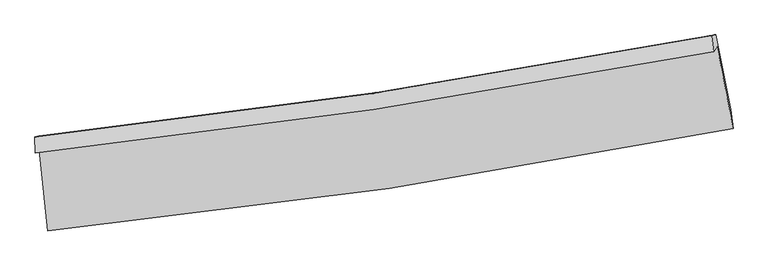
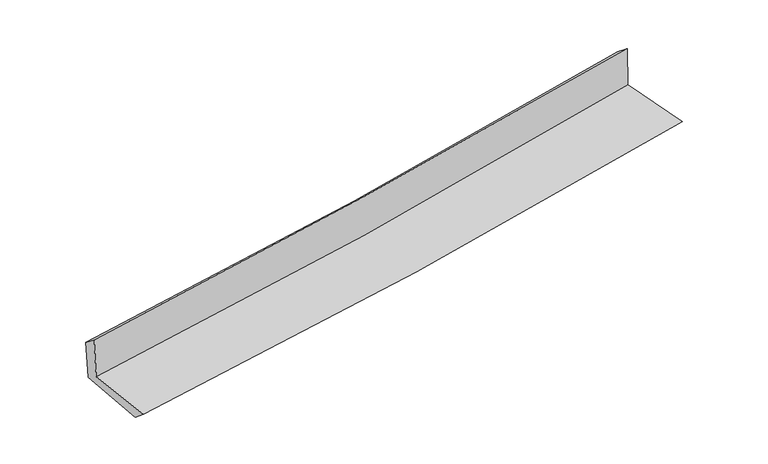
"""IFC4 building model written with IfcOpenShell, lengths in millimetres: proxy geometry."""

from ifc_helpers import new_model, si_unit, frame, origin, place, context, project, spatial, source, transform, mapped, element, save
from ifc_brep_helpers import plane_surface, spline_curve, spline_surface, advanced_brep


def generic_models_ab91a754(model_context):
    return source(origin(), model_context, "Body", "AdvancedBrep", [
        advanced_brep(
        [(-2819.1094679, -1884.8622507, 1635.1232719), (-2750.77196, -2552.5094075, 1632.2258182), (2906.6514642, -1707.8078263, 2115.025832), (2774.6166714, -1031.8972054, 2123.1344278), (-2851.9387023, -1909.8081365, 2036.7353462), (2745.9679559, -1073.5050204, 2523.9079173), (-2856.2665224, -1776.0947355, 1931.0626828), (2729.6207339, -941.1545791, 2421.768311), (-2824.4187534, -1767.6560197, 1559.7052607), (2762.4725182, -932.5126481, 2045.0031727), (-2754.4509479, -2423.5447953, 1524.6845581), (2885.4967253, -1552.0869091, 2015.8097479)],
        [
            (0, 1),
            (1, 2, spline_curve(3, [(-2750.77196, -2552.5094075, 1632.2258182), (-1808.131162877, -2457.953786229, 1717.527824018), (-868.367446154, -2340.881682587, 1800.171003399), (1017.515215733, -2059.900307642, 1961.173516721), (1963.559307405, -1895.405217839, 2039.463675721), (2906.6514642, -1707.8078263, 2115.025832)], [4, 2, 4], [0.0, 9.309545963788873, 18.739419109016932])),
            (2, 3),
            (3, 0, spline_curve(3, [(2774.6166714, -1031.8972054, 2123.1344278), (1842.858573036, -1217.555296063, 2043.534718256), (907.821615947, -1381.784455542, 1962.798888765), (-956.83690791, -1665.562751254, 1800.09969407), (-1886.375330398, -1785.655273361, 1718.165138111), (-2819.1094679, -1884.8622507, 1635.1232719)], [4, 2, 4], [0.0, 9.42987314522806, 18.739419109016932])),
            (4, 0),
            (3, 5),
            (5, 4, spline_curve(3, [(2745.9679559, -1073.5050204, 2523.9079173), (1812.018259054, -1252.460921197, 2451.595513129), (875.539673919, -1411.954121036, 2374.550722697), (-990.493338988, -1690.228298705, 2212.039863821), (-1919.983639791, -1809.502804618, 2126.693796959), (-2851.9387023, -1909.8081365, 2036.7353462)], [4, 2, 4], [0.0, 9.380317574733485, 18.640940307618187])),
            (6, 4),
            (5, 7),
            (7, 6, spline_curve(3, [(2729.6207339, -941.1545791, 2421.768311), (1798.532764651, -1119.30394101, 2339.834318187), (864.490376673, -1278.281417565, 2257.711409528), (-997.546959077, -1556.108649845, 2094.138076613), (-1925.466989812, -1675.444559026, 2012.692442429), (-2856.2665224, -1776.0947355, 1931.0626828)], [4, 2, 4], [0.0, 9.371642256389931, 18.623700369833205])),
            (8, 6),
            (7, 9),
            (9, 8, spline_curve(3, [(2762.4725182, -932.5126481, 2045.0031727), (1831.080731353, -1110.735275389, 1965.476058266), (896.802664241, -1269.766302206, 1885.00531002), (-965.567615389, -1547.660773061, 1723.215410961), (-1893.586638807, -1667.010870383, 1641.920188611), (-2824.4187534, -1767.6560197, 1559.7052607)], [4, 2, 4], [0.0, 9.36232048491518, 18.6051757746649])),
            (10, 8),
            (9, 11),
            (11, 10, spline_curve(3, [(2885.4967253, -1552.0869091, 2015.8097479), (1946.712477895, -1747.33800623, 1934.994311058), (1004.283585226, -1917.89379463, 1853.39167536), (-875.791392014, -2207.753542716, 1689.663317011), (-1813.345057091, -2327.683716449, 1607.557556496), (-2754.4509479, -2423.5447953, 1524.6845581)], [4, 2, 4], [0.0, 9.411508370652585, 18.702923898284794])),
            (1, 10),
            (11, 2),
        ],
        [
            spline_surface(3, 3, [[(-2819.1094679, -1884.8622507, 1635.1232719), (-1886.375330376, -1785.655273372, 1718.165138256), (-956.836907863, -1665.56275113, 1800.099694128), (907.821615899, -1381.784455668, 1962.798888706), (1842.858573161, -1217.555296115, 2043.534718116), (2774.6166714, -1031.8972054, 2123.1344278)], [(-2796.330298601, -2107.411302966, 1634.157454), (-1860.293941168, -2009.754777689, 1717.952700225), (-927.347087323, -1890.669061593, 1800.123463824), (944.386149196, -1607.823073028, 1962.257098063), (1883.092151221, -1443.505270005, 2042.177703965), (2818.628268983, -1257.200745696, 2120.431562554)], [(-2773.551129299, -2329.960355234, 1633.1916361), (-1834.212551955, -2233.854282007, 1717.740262195), (-897.857266766, -2115.775372038, 1800.147233584), (980.950682509, -1833.861690369, 1961.715307484), (1923.325729332, -1669.455243906, 2040.820689751), (2862.639866617, -1482.504286004, 2117.728697246)], [(-2750.77196, -2552.5094075, 1632.2258182), (-1808.131162746, -2457.953786324, 1717.527824165), (-868.367446225, -2340.881682502, 1800.17100328), (1017.515215806, -2059.900307729, 1961.173516841), (1963.559307391, -1895.405217796, 2039.463675599), (2906.6514642, -1707.8078263, 2115.025832)]], [4, 4], [4, 2, 4], [0.0, 2.243996785252073], [0.0, 9.309545963788873, 18.739419109016932]),
            spline_surface(3, 3, [[(-2851.9387023, -1909.8081365, 2036.7353462), (-1919.983639672, -1809.502804565, 2126.693797111), (-990.493338844, -1690.228298842, 2212.039863752), (875.539673773, -1411.954120897, 2374.550722766), (1812.018258994, -1252.460921241, 2451.59551312), (2745.9679559, -1073.5050204, 2523.9079173)], [(-2840.995624147, -1901.492841227, 1902.864654762), (-1908.780869887, -1801.553627495, 1990.517577487), (-979.274528506, -1682.006449609, 2074.72647389), (886.300321159, -1401.897565825, 2237.300111426), (1822.298363723, -1240.825712868, 2315.575248104), (2755.51752774, -1059.635748736, 2390.316754118)], [(-2830.052546053, -1893.177545973, 1768.993963338), (-1897.578100161, -1793.604450442, 1854.341357879), (-968.055718201, -1673.784600363, 1937.41308399), (897.060968513, -1391.841010741, 2100.049500047), (1832.578468432, -1229.190504488, 2179.554983132), (2765.06709956, -1045.766477064, 2256.725590982)], [(-2819.1094679, -1884.8622507, 1635.1232719), (-1886.375330376, -1785.655273372, 1718.165138256), (-956.836907863, -1665.56275113, 1800.099694128), (907.821615899, -1381.784455668, 1962.798888706), (1842.858573161, -1217.555296115, 2043.534718116), (2774.6166714, -1031.8972054, 2123.1344278)]], [4, 4], [4, 2, 4], [0.0, 1.358504757522136], [0.0, 9.260622732884702, 18.640940307618187]),
            spline_surface(3, 3, [[(-2856.2665224, -1776.0947355, 1931.0626828), (-1925.466989814, -1675.444559019, 2012.692442425), (-997.54695907, -1556.108649913, 2094.138076464), (864.490376666, -1278.281417496, 2257.711409679), (1798.532764699, -1119.303941097, 2339.834318326), (2729.6207339, -941.1545791, 2421.768311)], [(-2854.823915709, -1820.665869183, 1966.286903937), (-1923.639206443, -1720.130640884, 2050.692893991), (-995.19575233, -1600.815199565, 2133.438672246), (868.1734757, -1322.838985305, 2296.657847394), (1803.027929468, -1163.689601149, 2377.088049923), (2735.069807904, -985.27139287, 2455.814846432)], [(-2853.381308991, -1865.237002817, 2001.511125063), (-1921.811423043, -1764.816722699, 2088.693345545), (-992.844545585, -1645.521749191, 2172.73926797), (871.856574739, -1367.396553088, 2335.604285051), (1807.523094225, -1208.075261189, 2414.341781523), (2740.518881896, -1029.38820663, 2489.861381868)], [(-2851.9387023, -1909.8081365, 2036.7353462), (-1919.983639672, -1809.502804565, 2126.693797111), (-990.493338844, -1690.228298842, 2212.039863752), (875.539673773, -1411.954120897, 2374.550722766), (1812.018258994, -1252.460921241, 2451.59551312), (2745.9679559, -1073.5050204, 2523.9079173)]], [4, 4], [4, 2, 4], [0.0, 0.584909599046991], [0.0, 9.252058113443274, 18.623700369833205]),
            spline_surface(3, 3, [[(-2824.4187534, -1767.6560197, 1559.7052607), (-1893.586638762, -1667.010870286, 1641.920188509), (-965.567615418, -1547.660773101, 1723.215411023), (896.802664271, -1269.766302165, 1885.005309958), (1831.08073145, -1110.735275541, 1965.476058145), (2762.4725182, -932.5126481, 2045.0031727)], [(-2835.034676404, -1770.46892494, 1683.49106804), (-1904.21342245, -1669.822099837, 1765.510939788), (-976.227396622, -1550.476732038, 1846.856299497), (886.031901749, -1272.604673942, 2009.240676526), (1820.231409186, -1113.591497413, 2090.262144886), (2751.52192342, -935.393291787, 2170.591552147)], [(-2845.650599396, -1773.28183026, 1807.27687546), (-1914.840206126, -1672.633329468, 1889.101691147), (-986.887177866, -1553.292690976, 1970.49718799), (875.261139188, -1275.44304572, 2133.476043111), (1809.382086963, -1116.447719225, 2215.048231585), (2740.57132868, -938.273935413, 2296.179931553)], [(-2856.2665224, -1776.0947355, 1931.0626828), (-1925.466989814, -1675.444559019, 2012.692442425), (-997.54695907, -1556.108649913, 2094.138076464), (864.490376666, -1278.281417496, 2257.711409679), (1798.532764699, -1119.303941097, 2339.834318326), (2729.6207339, -941.1545791, 2421.768311)]], [4, 4], [4, 2, 4], [0.0, 1.224768574480383], [0.0, 9.24285528974972, 18.6051757746649]),
            spline_surface(3, 3, [[(-2754.4509479, -2423.5447953, 1524.6845581), (-1813.345056998, -2327.683716547, 1607.557556406), (-875.791391992, -2207.753542809, 1689.663317149), (1004.283585203, -1917.893794535, 1853.391675219), (1946.712477934, -1747.338006206, 1934.994311095), (2885.4967253, -1552.0869091, 2015.8097479)], [(-2777.773549738, -2204.915203449, 1536.358125631), (-1840.092250923, -2107.459434475, 1619.011767104), (-905.716799824, -1987.722619579, 1700.84734842), (968.456611536, -1701.851297085, 1863.929553445), (1908.168562442, -1535.137095971, 1945.154893435), (2844.488656269, -1345.56215542, 2025.54088949)], [(-2801.096151562, -1986.285611551, 1548.031693169), (-1866.839444836, -1887.235152358, 1630.46597781), (-935.642207585, -1767.691696331, 1712.031379752), (932.629637938, -1485.808799616, 1874.467431733), (1869.624646943, -1322.936185775, 1955.315475805), (2803.480587231, -1139.03740178, 2035.27203111)], [(-2824.4187534, -1767.6560197, 1559.7052607), (-1893.586638762, -1667.010870286, 1641.920188509), (-965.567615418, -1547.660773101, 1723.215411023), (896.802664271, -1269.766302165, 1885.005309958), (1831.08073145, -1110.735275541, 1965.476058145), (2762.4725182, -932.5126481, 2045.0031727)]], [4, 4], [4, 2, 4], [0.0, 2.172722504683859], [0.0, 9.291415527632209, 18.702923898284794]),
            spline_surface(3, 3, [[(-2750.77196, -2552.5094075, 1632.2258182), (-1808.131162746, -2457.953786324, 1717.527824165), (-868.367446225, -2340.881682502, 1800.17100328), (1017.515215806, -2059.900307729, 1961.173516841), (1963.559307391, -1895.405217796, 2039.463675599), (2906.6514642, -1707.8078263, 2115.025832)], [(-2751.998289301, -2509.521203435, 1596.378731531), (-1809.869127497, -2414.530429733, 1680.871068276), (-870.842094807, -2296.505635913, 1763.33510792), (1013.104672278, -2012.564803306, 1925.246236317), (1957.94369759, -1846.04948059, 2004.640554089), (2899.599884584, -1655.90085389, 2081.953803958)], [(-2753.224618599, -2466.532999365, 1560.531644769), (-1811.607092246, -2371.107073138, 1644.214312295), (-873.31674341, -2252.129589398, 1726.49921251), (1008.694128731, -1965.229298958, 1889.318955743), (1952.328087736, -1796.693743412, 1969.817432605), (2892.548304916, -1603.99388151, 2048.881775942)], [(-2754.4509479, -2423.5447953, 1524.6845581), (-1813.345056998, -2327.683716547, 1607.557556406), (-875.791391992, -2207.753542809, 1689.663317149), (1004.283585203, -1917.893794535, 1853.391675219), (1946.712477934, -1747.338006206, 1934.994311095), (2885.4967253, -1552.0869091, 2015.8097479)]], [4, 4], [4, 2, 4], [0.0, 0.5772474886374936], [0.0, 9.34955389126578, 18.819952072019543]),
            plane_surface(frame((2800.8043448, -1206.4940314, 2207.4415681), z_axis=(0.9777032979384197, 0.18991308530234355, 0.0896062566525504), x_axis=(-0.08684207769762196, -0.022844520128257485, 0.9959601304476349))),
            plane_surface(frame((-2809.4927256, -2052.4125575, 1719.922823), z_axis=(-0.9910436443969532, -0.10106017363180717, -0.08728880916769531), x_axis=(-0.10182277651663003, 0.9947931865242378, 0.004317201338551403))),
        ],
        [
            (0, [[1, 2, 3, 4]]),
            (1, [[5, -4, 6, 7]]),
            (2, [[8, -7, 9, 10]]),
            (3, [[11, -10, 12, 13]]),
            (4, [[14, -13, 15, 16]]),
            (5, [[17, -16, 18, -2]]),
            (6, [[-12, -9, -6, -3, -18, -15]]),
            (7, [[-1, -5, -8, -11, -14, -17]]),
        ],
    ),
    ])


if __name__ == "__main__":
    model = new_model("IFC4")
    model_context = context("Model", 3, world=origin())
    ifc_project = project(units=[si_unit("LENGTHUNIT", "METRE", prefix="MILLI")], contexts=[model_context])
    site = spatial("IfcSite", under=ifc_project)
    building = spatial("IfcBuilding", under=site)
    placement = place(None, origin())
    generic_models_shape = generic_models_ab91a754(model_context)
    element("IfcBuildingElementProxy", 1, Name="Generic Models", at=placement, inside=building, context=model_context, shape_type="MappedRepresentation", body=[
        mapped(generic_models_shape, transform((0.0, 0.0, 0.0), x_axis=(1.0, 0.0, 0.0), y_axis=(0.0, 1.0, 0.0), z_axis=(0.0, 0.0, 1.0))),
    ])
    save(model, "model.ifc")
